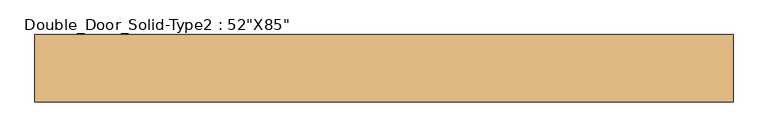
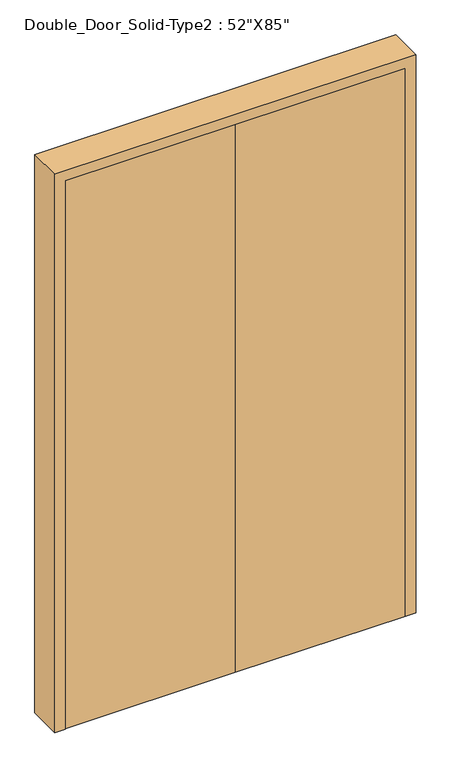
"""IFC4 building model written with IfcOpenShell, lengths in millimetres: door geometry."""

from ifc_helpers import new_model, si_unit, frame, origin, origin_with_axes, place, context, project, spatial, polyline, outline, extrude, source, transform, mapped, element, save


def door_ba276a70(model_context):
    return source(origin(), model_context, "Body", "SweptSolid", [
        extrude(outline(polyline([(0.0, -622.3), (2120.9, -622.3), (2120.9, 622.3), (0.0, 622.3), (0.0, 660.4), (2159.0, 660.4), (2159.0, -660.4), (0.0, -660.4), (0.0, -622.3)])), frame((0.0, -63.5, 0.0), z_axis=(0.0, 1.0, 0.0), x_axis=(0.0, 0.0, 1.0)), (0.0, 0.0, 1.0), 127.0),
        extrude(outline(polyline([(0.0, -23.5), (0.0, -61.6), (-622.3, -61.6), (-622.3, -23.5), (0.0, -23.5)])), origin_with_axes(), (0.0, 0.0, 1.0), 2120.9),
        extrude(outline(polyline([(622.3, -23.5), (622.3, -61.6), (0.0, -61.6), (0.0, -23.5), (622.3, -23.5)])), origin_with_axes(), (0.0, 0.0, 1.0), 2120.9),
    ])


if __name__ == "__main__":
    model = new_model("IFC4")
    model_context = context("Model", 3, world=origin())
    ifc_project = project(units=[si_unit("LENGTHUNIT", "METRE", prefix="MILLI")], contexts=[model_context])
    site = spatial("IfcSite", under=ifc_project)
    building = spatial("IfcBuilding", under=site)
    placement = place(None, origin())
    door_shape = door_ba276a70(model_context)
    element("IfcDoor", 1, ObjectType="Double_Door_Solid-Type2 : 52\"X85\"", at=placement, inside=building, context=model_context, shape_type="MappedRepresentation", body=[
        mapped(door_shape, transform((0.0, 0.0, 0.0), x_axis=(1.0, 0.0, 0.0), y_axis=(0.0, 1.0, 0.0), z_axis=(0.0, 0.0, 1.0))),
    ])
    save(model, "model.ifc")
